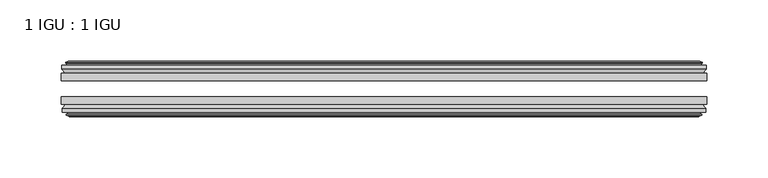
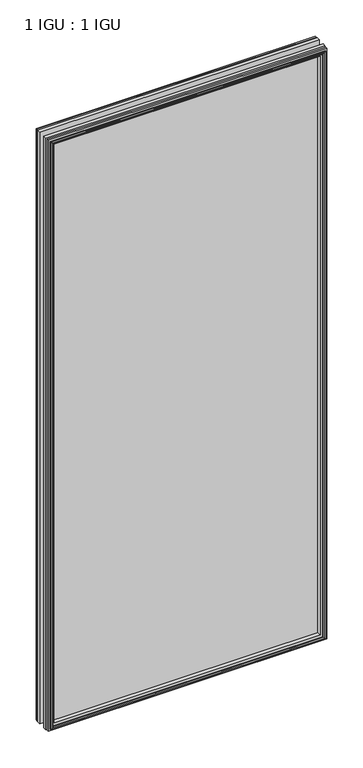
"""IFC4 building model written with IfcOpenShell, lengths in millimetres: plate geometry, 1 IGU : 1 IGU."""

from ifc_helpers import new_model, si_unit, frame, origin, place, context, project, spatial, polyline, outline, extrude, faceted_brep, source, transform, mapped, element, save


def plate_1_igu_1_igu_30aec04a(model_context):
    return source(origin(), model_context, "Body", "SolidModel", [
        extrude(outline(polyline([(263.5249997, -25.8960937), (263.5249997, -32.2460938), (-263.5249997, -32.2460938), (-263.5249997, -25.8960937), (263.5249997, -25.8960937)])), frame((0.0, 0.0, -12.7), z_axis=(0.0, 0.0, 1.0), x_axis=(1.0, 0.0, 0.0)), (0.0, 0.0, 1.0), 1181.1),
        extrude(outline(polyline([(-263.5249997, -51.2960938), (-263.5249997, -45.2686737), (263.5249997, -45.2686737), (263.5249997, -51.2960938), (-263.5249997, -51.2960938)])), frame((0.0, 0.0, -12.7), z_axis=(0.0, 0.0, 1.0), x_axis=(1.0, 0.0, 0.0)), (0.0, 0.0, 1.0), 1181.1),
        faceted_brep([(-257.9369997, -60.0262907, 1162.812), (-258.3179997, -57.6460937, 1163.193), (-258.3179997, -57.6460937, -7.493), (-257.9369997, -60.0262907, -7.112), (-259.3525287, -59.5663575, 1164.2275291), (-259.3525287, -59.5663575, -8.5275291), (-259.3525287, -60.3675717, 1164.2275291), (-259.3525287, -60.3675717, -8.5275291), (-257.1749997, -61.0750937, 1162.05), (-257.1749997, -61.0750937, -6.35), (-254.9974706, -60.3675717, 1159.8724709), (-254.9974706, -60.3675717, -4.1724709), (-254.9974706, -59.5663575, 1159.8724709), (-254.9974706, -59.5663575, -4.1724709), (-256.4129997, -60.0262907, 1161.288), (-256.4129997, -60.0262907, -5.588), (-256.0319997, -57.6460937, 1160.907), (-256.0319997, -57.6460937, -5.207), (-249.1072816, -51.2960937, 1153.9822819), (-250.8249997, -57.6460937, 1155.7), (-250.8249997, -57.6460937, 0.0), (-249.1072816, -51.2960937, 1.7177181), (-262.7629997, -54.6996937, 1167.638), (-259.9286575, -51.2960937, 1164.8036578), (-259.9286575, -51.2960937, -9.1036578), (-262.7629997, -54.6996937, -11.938), (-262.7629997, -57.6460937, 1167.638), (-262.7629997, -57.6460937, -11.938), (258.3179997, -57.6460938, -7.493), (257.9369997, -60.0262907, -7.112), (259.3525287, -59.5663575, -8.5275291), (259.3525287, -60.3675717, -8.5275291), (257.1749997, -61.0750937, -6.35), (254.9974706, -60.3675717, -4.1724709), (254.9974706, -59.5663575, -4.1724709), (256.4129997, -60.0262907, -5.588), (256.0319997, -57.6460937, -5.207), (250.8249997, -57.6460937, 0.0), (249.1072816, -51.2960937, 1.7177181), (259.9286575, -51.2960937, -9.1036578), (262.7629997, -54.6996937, -11.938), (262.7629997, -57.6460938, -11.938), (258.3179997, -57.6460938, 1163.193), (257.9369997, -60.0262907, 1162.812), (259.3525287, -59.5663575, 1164.2275291), (259.3525287, -60.3675717, 1164.2275291), (257.1749997, -61.0750937, 1162.05), (254.9974706, -60.3675717, 1159.8724709), (254.9974706, -59.5663575, 1159.8724709), (256.4129997, -60.0262907, 1161.288), (256.0319997, -57.6460937, 1160.907), (250.8249997, -57.6460937, 1155.7), (249.1072816, -51.2960937, 1153.9822819), (259.9286575, -51.2960937, 1164.8036578), (262.7629997, -54.6996937, 1167.638), (262.7629997, -57.6460938, 1167.638)], [[[0, 1, 2, 3]], [[4, 0, 3, 5]], [[6, 4, 5, 7]], [[8, 6, 7, 9]], [[10, 8, 9, 11]], [[12, 10, 11, 13]], [[14, 12, 13, 15]], [[16, 14, 15, 17]], [[18, 19, 20, 21]], [[22, 23, 24, 25]], [[26, 22, 25, 27]], [[3, 2, 28, 29]], [[5, 3, 29, 30]], [[7, 5, 30, 31]], [[9, 7, 31, 32]], [[11, 9, 32, 33]], [[13, 11, 33, 34]], [[15, 13, 34, 35]], [[17, 15, 35, 36]], [[21, 20, 37, 38]], [[25, 24, 39, 40]], [[27, 25, 40, 41]], [[29, 28, 42, 43]], [[30, 29, 43, 44]], [[31, 30, 44, 45]], [[32, 31, 45, 46]], [[33, 32, 46, 47]], [[34, 33, 47, 48]], [[35, 34, 48, 49]], [[36, 35, 49, 50]], [[38, 37, 51, 52]], [[40, 39, 53, 54]], [[41, 40, 54, 55]], [[27, 41, 55, 26], [1, 42, 28, 2]], [[43, 42, 1, 0]], [[44, 43, 0, 4]], [[45, 44, 4, 6]], [[46, 45, 6, 8]], [[47, 46, 8, 10]], [[48, 47, 10, 12]], [[49, 48, 12, 14]], [[50, 49, 14, 16]], [[17, 36, 50, 16], [19, 51, 37, 20]], [[52, 51, 19, 18]], [[23, 53, 39, 24], [21, 38, 52, 18]], [[54, 53, 23, 22]], [[55, 54, 22, 26]]]),
        faceted_brep([(-260.4493575, -25.8960937, 1165.3243578), (-263.2836997, -22.4924937, 1168.1587), (-263.2836997, -22.4924937, -12.4587), (-260.4493575, -25.8960937, -9.6243578), (-251.3456997, -19.5460937, 1156.2207), (-249.6279816, -25.8960937, 1154.5029819), (-249.6279816, -25.8960937, 1.1970181), (-251.3456997, -19.5460937, -0.5207), (-256.9336997, -17.1658968, 1161.8087), (-256.5526997, -19.5460937, 1161.4277), (-256.5526997, -19.5460937, -5.7277), (-256.9336997, -17.1658968, -6.1087), (-255.5181706, -17.62583, 1160.3931709), (-255.5181706, -17.62583, -4.6931709), (-255.5181706, -16.8246158, 1160.3931709), (-255.5181706, -16.8246158, -4.6931709), (-257.6956997, -16.1170937, 1162.5707), (-257.6956997, -16.1170937, -6.8707), (-259.8732287, -16.8246158, 1164.7482291), (-259.8732287, -16.8246158, -9.0482291), (-259.8732287, -17.62583, 1164.7482291), (-259.8732287, -17.62583, -9.0482291), (-258.4576997, -17.1658968, 1163.3327), (-258.4576997, -17.1658968, -7.6327), (-258.8386997, -19.5460937, 1163.7137), (-258.8386997, -19.5460937, -8.0137), (-263.2836997, -19.5460937, 1168.1587), (-263.2836997, -19.5460937, -12.4587), (263.2836997, -22.4924937, -12.4587), (260.4493575, -25.8960937, -9.6243578), (249.6279816, -25.8960937, 1.1970181), (251.3456997, -19.5460937, -0.5207), (256.5526997, -19.5460937, -5.7277), (256.9336997, -17.1658968, -6.1087), (255.5181706, -17.62583, -4.6931709), (255.5181706, -16.8246158, -4.6931709), (257.6956997, -16.1170937, -6.8707), (259.8732287, -16.8246158, -9.0482291), (259.8732287, -17.62583, -9.0482291), (258.4576997, -17.1658968, -7.6327), (258.8386997, -19.5460937, -8.0137), (263.2836997, -19.5460937, -12.4587), (263.2836997, -22.4924937, 1168.1587), (260.4493575, -25.8960937, 1165.3243578), (249.6279816, -25.8960937, 1154.5029819), (251.3456997, -19.5460937, 1156.2207), (256.5526997, -19.5460937, 1161.4277), (256.9336997, -17.1658968, 1161.8087), (255.5181706, -17.62583, 1160.3931709), (255.5181706, -16.8246158, 1160.3931709), (257.6956997, -16.1170937, 1162.5707), (259.8732287, -16.8246158, 1164.7482291), (259.8732287, -17.62583, 1164.7482291), (258.4576997, -17.1658968, 1163.3327), (258.8386997, -19.5460937, 1163.7137), (263.2836997, -19.5460937, 1168.1587)], [[[0, 1, 2, 3]], [[4, 5, 6, 7]], [[8, 9, 10, 11]], [[12, 8, 11, 13]], [[14, 12, 13, 15]], [[16, 14, 15, 17]], [[18, 16, 17, 19]], [[20, 18, 19, 21]], [[22, 20, 21, 23]], [[24, 22, 23, 25]], [[1, 26, 27, 2]], [[3, 2, 28, 29]], [[7, 6, 30, 31]], [[11, 10, 32, 33]], [[13, 11, 33, 34]], [[15, 13, 34, 35]], [[17, 15, 35, 36]], [[19, 17, 36, 37]], [[21, 19, 37, 38]], [[23, 21, 38, 39]], [[25, 23, 39, 40]], [[2, 27, 41, 28]], [[29, 28, 42, 43]], [[31, 30, 44, 45]], [[33, 32, 46, 47]], [[34, 33, 47, 48]], [[35, 34, 48, 49]], [[36, 35, 49, 50]], [[37, 36, 50, 51]], [[38, 37, 51, 52]], [[39, 38, 52, 53]], [[40, 39, 53, 54]], [[28, 41, 55, 42]], [[43, 42, 1, 0]], [[3, 29, 43, 0], [5, 44, 30, 6]], [[45, 44, 5, 4]], [[9, 46, 32, 10], [7, 31, 45, 4]], [[47, 46, 9, 8]], [[48, 47, 8, 12]], [[49, 48, 12, 14]], [[50, 49, 14, 16]], [[51, 50, 16, 18]], [[52, 51, 18, 20]], [[53, 52, 20, 22]], [[54, 53, 22, 24]], [[26, 55, 41, 27], [25, 40, 54, 24]], [[42, 55, 26, 1]]]),
    ])


if __name__ == "__main__":
    model = new_model("IFC4")
    model_context = context("Model", 3, world=origin())
    ifc_project = project(units=[si_unit("LENGTHUNIT", "METRE", prefix="MILLI")], contexts=[model_context])
    site = spatial("IfcSite", under=ifc_project)
    building = spatial("IfcBuilding", under=site)
    placement = place(None, origin())
    plate_1_igu_1_igu_shape = plate_1_igu_1_igu_30aec04a(model_context)
    element("IfcPlate", 1, ObjectType="1 IGU : 1 IGU", at=placement, inside=building, context=model_context, shape_type="MappedRepresentation", body=[
        mapped(plate_1_igu_1_igu_shape, transform((0.0, 0.0, 0.0), x_axis=(1.0, 0.0, 0.0), y_axis=(0.0, 1.0, 0.0), z_axis=(0.0, 0.0, 1.0))),
    ])
    save(model, "model.ifc")
